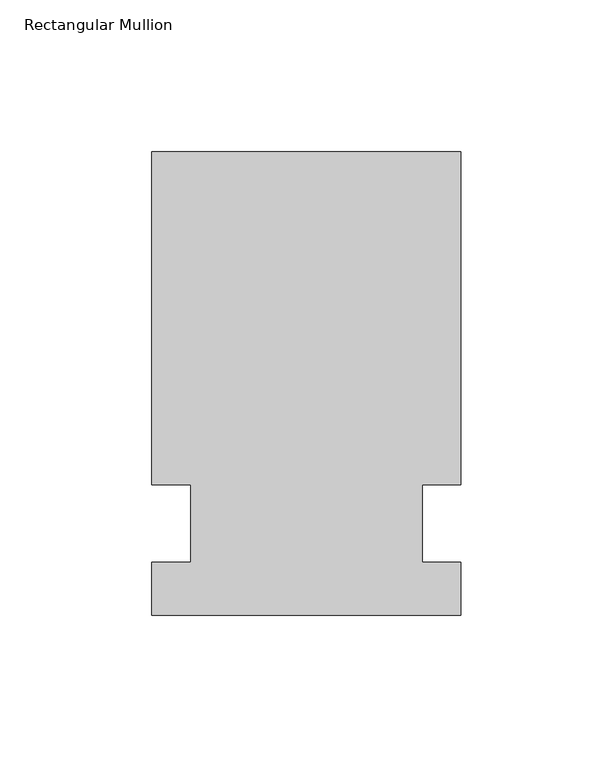
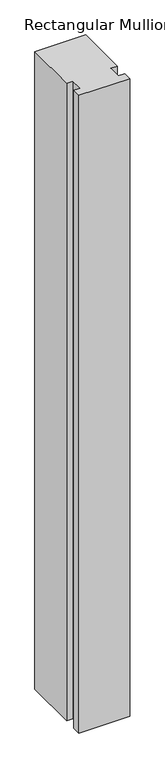
"""IFC4 building model written with IfcOpenShell, lengths in millimetres: member geometry, Rectangular Mullion."""

from ifc_helpers import new_model, si_unit, frame, origin, place, context, project, spatial, polyline, outline, extrude, source, transform, mapped, element, save


def rectangular_mullion_b74fadc8(model_context):
    return source(origin(), model_context, "Body", "SweptSolid", [
        extrude(outline(polyline([(55.1344027, 122.2375), (55.1344027, 12.7), (42.4326322, 12.7), (42.4326322, -12.7), (55.1344027, -12.7), (55.1344027, -30.1625), (-46.4655973, -30.1625), (-46.4655973, -12.7), (-33.7655973, -12.7), (-33.7655973, 12.7), (-46.4655973, 12.7), (-46.4655973, 122.2375), (55.1344027, 122.2375)])), frame((0.0, 0.0, -1349.4760693), z_axis=(0.0, 0.0, 1.0), x_axis=(1.0, 0.0, 0.0)), (0.0, 0.0, 1.0), 1349.4760693),
    ])


if __name__ == "__main__":
    model = new_model("IFC4")
    model_context = context("Model", 3, world=origin())
    ifc_project = project(units=[si_unit("LENGTHUNIT", "METRE", prefix="MILLI")], contexts=[model_context])
    site = spatial("IfcSite", under=ifc_project)
    building = spatial("IfcBuilding", under=site)
    placement = place(None, origin())
    rectangular_mullion_shape = rectangular_mullion_b74fadc8(model_context)
    element("IfcMember", 1, ObjectType="Rectangular Mullion", at=placement, inside=building, context=model_context, shape_type="MappedRepresentation", body=[
        mapped(rectangular_mullion_shape, transform((0.0, 0.0, 0.0), x_axis=(1.0, 0.0, 0.0), y_axis=(0.0, 1.0, 0.0), z_axis=(0.0, 0.0, 1.0))),
    ])
    save(model, "model.ifc")
